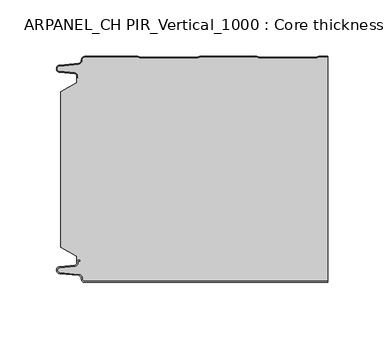
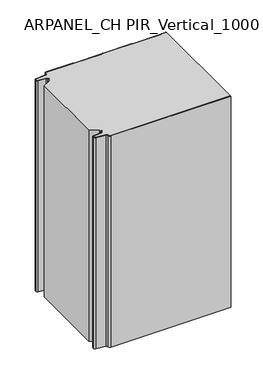
"""IFC4 building model written with IfcOpenShell, lengths in millimetres: plate geometry, ARPANEL_CH PIR_Vertical_1000 : Core thickness - 200 mm."""

from ifc_helpers import new_model, si_unit, frame, origin, place, context, project, spatial, polyline, circle_curve, source, transform, mapped, element, save
from ifc_brep_helpers import plane_surface, cylinder_surface, revolved_surface, advanced_brep


def arpanel_ch_pir_vertical_1000_core_thickness_200_mm_8e20ef52(model_context):
    return source(origin(), model_context, "Body", "AdvancedBrep", [
        advanced_brep(
        [(-94.8000003, -199.9996949, 0.0), (-97.9923632, -196.5787437, 0.0), (-100.2560431, -193.9171154, 0.0), (-117.2115315, -192.2546153, 0.0), (-119.9999998, -189.1776715, 0.0), (-117.2115315, -186.1007278, 0.0), (-103.6195785, -184.7680252, 0.0), (-101.9952277, -182.9766159, 0.0), (-101.9952277, -181.8996949, 0.0), (-100.5952277, -180.4996949, 0.0), (-99.4952277, -180.4996949, 0.0), (-99.4952277, -181.2996949, 0.0), (-100.5952277, -181.2996949, 0.0), (-101.1952277, -181.8996949, 0.0), (-101.1952277, -182.9766159, 0.0), (-103.5415122, -185.5642071, 0.0), (-117.1334652, -186.8969097, 0.0), (-119.1999997, -189.1776715, 0.0), (-117.1334652, -191.4584333, 0.0), (-100.1779767, -193.1209335, 0.0), (-97.2078761, -196.6330399, 0.0), (-94.8000003, -199.1996949, 0.0), (119.9999998, -199.2, 0.0), (119.9999998, -199.9996949, 0.0), (-94.8000003, -199.1996949, 400.0), (-97.1942724, -196.6339815, 400.0), (-100.1779767, -193.1209335, 400.0), (-117.1334652, -191.4584333, 400.0), (-119.1999997, -189.1776715, 400.0), (-117.1334652, -186.8969097, 400.0), (-103.5415122, -185.5642071, 400.0), (-101.1952277, -182.9766159, 400.0), (-101.1952277, -181.8996949, 400.0), (-100.5952277, -181.2996949, 400.0), (-99.4952277, -181.2996949, 400.0), (-99.4952277, -180.4996949, 400.0), (-100.5952277, -180.4996949, 400.0), (-101.9952277, -181.8996949, 400.0), (-101.9952277, -182.9766159, 400.0), (-103.6195785, -184.7680252, 400.0), (-117.2115315, -186.1007278, 400.0), (-119.9999998, -189.1776715, 400.0), (-117.2115315, -192.2546153, 400.0), (-100.2560431, -193.9171154, 400.0), (-98.0059668, -196.5778021, 400.0), (-94.8000003, -199.9996949, 400.0), (119.9999998, -199.9996949, 400.0), (119.9999998, -199.2, 400.0)],
        [
            (0, 1, circle_curve(frame((-94.8000003, -196.7996949, 0.0), z_axis=(0.0, 0.0, -1.0), x_axis=(1.0, 0.0, 0.0)), 3.2)),
            (1, 2, circle_curve(frame((-100.5000003, -196.4051839, 0.0), z_axis=(0.0, 0.0, 1.0), x_axis=(1.0, 0.0, 0.0)), 2.5)),
            (2, 3),
            (3, 4, circle_curve(frame((-116.9100003, -189.1793626, 0.0), z_axis=(0.0, 0.0, -1.0), x_axis=(1.0, 0.0, 0.0)), 3.09)),
            (4, 5, circle_curve(frame((-116.9100003, -189.1759805, 0.0), z_axis=(0.0, 0.0, -1.0), x_axis=(1.0, 0.0, 0.0)), 3.09)),
            (5, 6),
            (6, 7, circle_curve(frame((-103.7952277, -182.9766159, 0.0), z_axis=(0.0, 0.0, 1.0), x_axis=(1.0, 0.0, 0.0)), 1.8)),
            (7, 8),
            (8, 9, circle_curve(frame((-100.5952277, -181.8996949, 0.0), z_axis=(0.0, 0.0, -1.0), x_axis=(1.0, 0.0, 0.0)), 1.4)),
            (9, 10),
            (10, 11),
            (11, 12),
            (12, 13, circle_curve(frame((-100.5952277, -181.8996949, 0.0), z_axis=(0.0, 0.0, 1.0), x_axis=(1.0, 0.0, 0.0)), 0.6)),
            (13, 14),
            (14, 15, circle_curve(frame((-103.7952277, -182.9766159, 0.0), z_axis=(0.0, 0.0, -1.0), x_axis=(1.0, 0.0, 0.0)), 2.6)),
            (15, 16),
            (16, 17, circle_curve(frame((-116.9100003, -189.1759805, 0.0), z_axis=(0.0, 0.0, 1.0), x_axis=(1.0, 0.0, 0.0)), 2.29)),
            (17, 18, circle_curve(frame((-116.9100003, -189.1793626, 0.0), z_axis=(0.0, 0.0, 1.0), x_axis=(1.0, 0.0, 0.0)), 2.29)),
            (18, 19),
            (19, 20, circle_curve(frame((-100.5000003, -196.4051839, 0.0), z_axis=(0.0, 0.0, -1.0), x_axis=(1.0, 0.0, 0.0)), 3.3)),
            (20, 21, circle_curve(frame((-94.8000003, -196.7996949, 0.0), z_axis=(0.0, 0.0, 1.0), x_axis=(1.0, 0.0, 0.0)), 2.4)),
            (21, 22),
            (22, 23),
            (23, 0),
            (24, 25, circle_curve(frame((-94.8000003, -196.7996949, 400.0), z_axis=(0.0, 0.0, -1.0), x_axis=(1.0, 0.0, 0.0)), 2.4)),
            (25, 26, circle_curve(frame((-100.5000003, -196.4051839, 400.0), z_axis=(0.0, 0.0, 1.0), x_axis=(1.0, 0.0, 0.0)), 3.3)),
            (26, 27),
            (27, 28, circle_curve(frame((-116.9100003, -189.1793626, 400.0), z_axis=(0.0, 0.0, -1.0), x_axis=(1.0, 0.0, 0.0)), 2.29)),
            (28, 29, circle_curve(frame((-116.9100003, -189.1759805, 400.0), z_axis=(0.0, 0.0, -1.0), x_axis=(1.0, 0.0, 0.0)), 2.29)),
            (29, 30),
            (30, 31, circle_curve(frame((-103.7952277, -182.9766159, 400.0), z_axis=(0.0, 0.0, 1.0), x_axis=(1.0, 0.0, 0.0)), 2.6)),
            (31, 32),
            (32, 33, circle_curve(frame((-100.5952277, -181.8996949, 400.0), z_axis=(0.0, 0.0, -1.0), x_axis=(1.0, 0.0, 0.0)), 0.6)),
            (33, 34),
            (34, 35),
            (35, 36),
            (36, 37, circle_curve(frame((-100.5952277, -181.8996949, 400.0), z_axis=(0.0, 0.0, 1.0), x_axis=(1.0, 0.0, 0.0)), 1.4)),
            (37, 38),
            (38, 39, circle_curve(frame((-103.7952277, -182.9766159, 400.0), z_axis=(0.0, 0.0, -1.0), x_axis=(1.0, 0.0, 0.0)), 1.8)),
            (39, 40),
            (40, 41, circle_curve(frame((-116.9100003, -189.1759805, 400.0), z_axis=(0.0, 0.0, 1.0), x_axis=(1.0, 0.0, 0.0)), 3.09)),
            (41, 42, circle_curve(frame((-116.9100003, -189.1793626, 400.0), z_axis=(0.0, 0.0, 1.0), x_axis=(1.0, 0.0, 0.0)), 3.09)),
            (42, 43),
            (43, 44, circle_curve(frame((-100.5000003, -196.4051839, 400.0), z_axis=(0.0, 0.0, -1.0), x_axis=(1.0, 0.0, 0.0)), 2.5)),
            (44, 45, circle_curve(frame((-94.8000003, -196.7996949, 400.0), z_axis=(0.0, 0.0, 1.0), x_axis=(1.0, 0.0, 0.0)), 3.2)),
            (45, 46),
            (46, 47),
            (47, 24),
            (21, 24),
            (47, 22),
            (20, 25),
            (19, 26),
            (18, 27),
            (17, 28),
            (16, 29),
            (15, 30),
            (14, 31),
            (13, 32),
            (12, 33),
            (11, 34),
            (10, 35),
            (9, 36),
            (8, 37),
            (7, 38),
            (6, 39),
            (5, 40),
            (4, 41),
            (3, 42),
            (2, 43),
            (1, 44),
            (0, 45),
            (23, 46),
        ],
        [
            plane_surface(frame((-119.9999998, -200.0, 0.0), z_axis=(0.0, 0.0, -1.0), x_axis=(0.0, 1.0, 0.0))),
            plane_surface(frame((-119.9999998, -200.0, 400.0), z_axis=(0.0, 0.0, 1.0), x_axis=(0.0, 1.0, 0.0))),
            plane_surface(frame((-94.8000003, -199.2, 0.0), z_axis=(0.0, 1.0, 0.0), x_axis=(0.0, 0.0, 1.0))),
            revolved_surface(polyline([(-92.40000029999999, -196.7996949, 400.0), (-92.40000029999999, -196.7996949, 0.0)]), (-94.8000003, -196.7996949, 0.0), (0.0, 0.0, 1.0)),
            cylinder_surface(frame((-100.5000003, -196.4051839, 0.0), z_axis=(0.0, 0.0, -1.0), x_axis=(1.0, 0.0, 0.0)), 3.3),
            plane_surface(frame((-117.1334652, -191.4584333, 0.0), z_axis=(0.09758289975914758, 0.9952273999818314, 0.0), x_axis=(0.0, 0.0, 1.0))),
            revolved_surface(polyline([(-114.62000029999999, -189.1793626, 400.0), (-114.62000029999999, -189.1793626, 0.0)]), (-116.9100003, -189.1793626, 0.0), (0.0, 0.0, 1.0)),
            revolved_surface(polyline([(-114.62000029999999, -189.1759805, 400.0), (-114.62000029999999, -189.1759805, 0.0)]), (-116.9100003, -189.1759805, 0.0), (0.0, 0.0, 1.0)),
            plane_surface(frame((-103.5415122, -185.5642071, 0.0), z_axis=(0.09758289975914383, -0.9952273999818317, 0.0), x_axis=(0.0, 0.0, 1.0))),
            cylinder_surface(frame((-103.7952277, -182.9766159, 0.0), z_axis=(0.0, 0.0, -1.0), x_axis=(1.0, 0.0, 0.0)), 2.6),
            plane_surface(frame((-101.1952277, -181.8996949, 0.0), z_axis=(1.0, 0.0, 0.0), x_axis=(0.0, 0.0, 1.0))),
            revolved_surface(polyline([(-99.9952277, -181.8996949, 400.0), (-99.9952277, -181.8996949, 0.0)]), (-100.5952277, -181.8996949, 0.0), (0.0, 0.0, 1.0)),
            plane_surface(frame((-99.4952277, -181.2996949, 0.0), z_axis=(0.0, -1.0, 0.0), x_axis=(0.0, 0.0, 1.0))),
            plane_surface(frame((-99.4952277, -180.4996949, 0.0), z_axis=(1.0, 0.0, 0.0), x_axis=(0.0, 0.0, 1.0))),
            plane_surface(frame((-100.5952277, -180.4996949, 0.0), z_axis=(0.0, 1.0, 0.0), x_axis=(0.0, 0.0, 1.0))),
            cylinder_surface(frame((-100.5952277, -181.8996949, 0.0), z_axis=(0.0, 0.0, -1.0), x_axis=(1.0, 0.0, 0.0)), 1.4),
            plane_surface(frame((-101.9952277, -182.9766159, 0.0), z_axis=(-1.0, 0.0, 0.0), x_axis=(0.0, 0.0, 1.0))),
            revolved_surface(polyline([(-101.9952277, -182.9766159, 400.0), (-101.9952277, -182.9766159, 0.0)]), (-103.7952277, -182.9766159, 0.0), (0.0, 0.0, 1.0)),
            plane_surface(frame((-117.2115315, -186.1007278, 0.0), z_axis=(-0.09758289975914387, 0.9952273999818317, 0.0), x_axis=(0.0, 0.0, 1.0))),
            cylinder_surface(frame((-116.9100003, -189.1759805, 0.0), z_axis=(0.0, 0.0, -1.0), x_axis=(1.0, 0.0, 0.0)), 3.09),
            cylinder_surface(frame((-116.9100003, -189.1793626, 0.0), z_axis=(0.0, 0.0, -1.0), x_axis=(1.0, 0.0, 0.0)), 3.09),
            plane_surface(frame((-100.2560431, -193.9171154, 0.0), z_axis=(-0.09758289975914762, -0.9952273999818314, 0.0), x_axis=(0.0, 0.0, 1.0))),
            revolved_surface(polyline([(-98.0000003, -196.4051839, 400.0), (-98.0000003, -196.4051839, 0.0)]), (-100.5000003, -196.4051839, 0.0), (0.0, 0.0, 1.0)),
            cylinder_surface(frame((-94.8000003, -196.7996949, 0.0), z_axis=(0.0, 0.0, -1.0), x_axis=(1.0, 0.0, 0.0)), 3.2),
            plane_surface(frame((896.009932, -199.9996949, 0.0), z_axis=(0.0, -1.0, 0.0), x_axis=(0.0, 0.0, 1.0))),
            plane_surface(frame((119.9999998, 180.0, 400.0), z_axis=(1.0, 0.0, 0.0), x_axis=(0.0, 0.0, -1.0))),
        ],
        [
            (0, [[1, 2, 3, 4, 5, 6, 7, 8, 9, 10, 11, 12, 13, 14, 15, 16, 17, 18, 19, 20, 21, 22, 23, 24]]),
            (1, [[25, 26, 27, 28, 29, 30, 31, 32, 33, 34, 35, 36, 37, 38, 39, 40, 41, 42, 43, 44, 45, 46, 47, 48]]),
            (2, [[49, -48, 50, -22]]),
            (3, [[-21, 51, -25, -49]]),
            (4, [[-20, 52, -26, -51]]),
            (5, [[-19, 53, -27, -52]]),
            (6, [[-18, 54, -28, -53]]),
            (7, [[-17, 55, -29, -54]]),
            (8, [[-16, 56, -30, -55]]),
            (9, [[-15, 57, -31, -56]]),
            (10, [[-14, 58, -32, -57]]),
            (11, [[-13, 59, -33, -58]]),
            (12, [[-12, 60, -34, -59]]),
            (13, [[-11, 61, -35, -60]]),
            (14, [[-10, 62, -36, -61]]),
            (15, [[-9, 63, -37, -62]]),
            (16, [[-8, 64, -38, -63]]),
            (17, [[-7, 65, -39, -64]]),
            (18, [[-6, 66, -40, -65]]),
            (19, [[-5, 67, -41, -66]]),
            (20, [[-4, 68, -42, -67]]),
            (21, [[-3, 69, -43, -68]]),
            (22, [[-2, 70, -44, -69]]),
            (23, [[-1, 71, -45, -70]]),
            (24, [[-71, -24, 72, -46]]),
            (25, [[-23, -50, -47, -72]]),
        ],
    ),
        advanced_brep(
        [(-101.9952277, -23.1062917, 400.0), (-116.0446509, -31.1628062, 400.0), (-116.0446509, -168.7531937, 400.0), (-101.9952277, -176.8937083, 400.0), (-101.9952277, -180.4996949, 400.0), (-101.9952277, -181.8996949, 400.0), (-100.5952277, -180.4996949, 400.0), (-99.4952277, -180.4996949, 400.0), (-99.4952277, -181.2996949, 400.0), (-100.5952277, -181.2996949, 400.0), (-101.1952277, -181.8996949, 400.0), (-101.1952277, -182.9766159, 400.0), (-103.5415122, -185.5642071, 400.0), (-117.1334652, -186.8969097, 400.0), (-119.1999997, -189.1776715, 400.0), (-117.1334652, -191.4584333, 400.0), (-100.1779767, -193.1209335, 400.0), (-97.2078761, -196.6330399, 400.0), (-94.8000003, -199.1996949, 400.0), (119.9999998, -199.2, 400.0), (119.9999998, -0.8, 400.0), (112.3119565, -0.8, 400.0), (111.2605406, -1.0986697, 400.0), (109.8401597, -1.5003051, 400.0), (59.6803765, -1.5003051, 400.0), (58.2609651, -1.0971009, 400.0), (57.2085797, -0.8, 400.0), (7.0487965, -0.8, 400.0), (5.9973806, -1.0986697, 400.0), (4.5769997, -1.5003051, 400.0), (-45.5827835, -1.5003051, 400.0), (-47.0021949, -1.0971009, 400.0), (-48.0545803, -0.8, 400.0), (-94.8000003, -0.8, 400.0), (-97.1942724, -3.3660185, 400.0), (-100.1779767, -6.8790665, 400.0), (-117.1334652, -8.5415667, 400.0), (-119.1999997, -10.8223285, 400.0), (-117.1334652, -13.1030903, 400.0), (-103.5415122, -14.4357929, 400.0), (-101.1952277, -17.0233841, 400.0), (-101.1952277, -18.1003051, 400.0), (-100.5952277, -18.7003051, 400.0), (-99.4952277, -18.7003051, 400.0), (-99.4952277, -19.5003051, 400.0), (-100.5952277, -19.5003051, 400.0), (-101.9952277, -18.1003051, 400.0), (-101.9952277, -19.5003051, 400.0), (-101.9952277, -176.8937083, 0.0), (-116.0446509, -168.7531937, 0.0), (-116.0446509, -31.1628062, 0.0), (-101.9952277, -23.1062917, 0.0), (-101.9952277, -19.5003051, 0.0), (-101.9952277, -18.1003051, 0.0), (-100.5952277, -19.5003051, 0.0), (-99.4952277, -19.5003051, 0.0), (-99.4952277, -18.7003051, 0.0), (-100.5952277, -18.7003051, 0.0), (-101.1952277, -18.1003051, 0.0), (-101.1952277, -17.0233841, 0.0), (-103.5415122, -14.4357929, 0.0), (-117.1334652, -13.1030903, 0.0), (-119.1999997, -10.8223285, 0.0), (-117.1334652, -8.5415667, 0.0), (-100.1779767, -6.8790665, 0.0), (-97.2078761, -3.3669601, 0.0), (-94.8000003, -0.8003051, 0.0), (-48.0545803, -0.8, 0.0), (-47.0031645, -1.0986697, 0.0), (-45.5827835, -1.5003051, 0.0), (4.5769997, -1.5003051, 0.0), (5.9964111, -1.0971009, 0.0), (7.0487965, -0.8, 0.0), (57.2085797, -0.8, 0.0), (58.2599955, -1.0986697, 0.0), (59.6803765, -1.5003051, 0.0), (109.8401597, -1.5003051, 0.0), (111.2595711, -1.0971009, 0.0), (112.3119565, -0.8, 0.0), (119.9999998, -0.8, 0.0), (119.9999998, -199.2, 0.0), (-94.8000003, -199.2, 0.0), (-97.1942724, -196.6339815, 0.0), (-100.1779767, -193.1209335, 0.0), (-117.1334652, -191.4584333, 0.0), (-119.1999997, -189.1776715, 0.0), (-117.1334652, -186.8969097, 0.0), (-103.5415122, -185.5642071, 0.0), (-101.1952277, -182.9766159, 0.0), (-101.1952277, -181.8996949, 0.0), (-100.5952277, -181.2996949, 0.0), (-99.4952277, -181.2996949, 0.0), (-99.4952277, -180.4996949, 0.0), (-100.5952277, -180.4996949, 0.0), (-101.9952277, -181.8996949, 0.0), (-101.9952277, -180.4996949, 0.0)],
        [
            (0, 1),
            (1, 2),
            (2, 3),
            (3, 4),
            (4, 5),
            (5, 6, circle_curve(frame((-100.5952277, -181.8996949, 400.0), z_axis=(0.0, 0.0, -1.0), x_axis=(1.0, 0.0, 0.0)), 1.4)),
            (6, 7),
            (7, 8),
            (8, 9),
            (9, 10, circle_curve(frame((-100.5952277, -181.8996949, 400.0), z_axis=(0.0, 0.0, 1.0), x_axis=(1.0, 0.0, 0.0)), 0.6)),
            (10, 11),
            (11, 12, circle_curve(frame((-103.7952277, -182.9766159, 400.0), z_axis=(0.0, 0.0, -1.0), x_axis=(1.0, 0.0, 0.0)), 2.6)),
            (12, 13),
            (13, 14, circle_curve(frame((-116.9100003, -189.1759805, 400.0), z_axis=(0.0, 0.0, 1.0), x_axis=(1.0, 0.0, 0.0)), 2.29)),
            (14, 15, circle_curve(frame((-116.9100003, -189.1793626, 400.0), z_axis=(0.0, 0.0, 1.0), x_axis=(1.0, 0.0, 0.0)), 2.29)),
            (15, 16),
            (16, 17, circle_curve(frame((-100.5000003, -196.4051839, 400.0), z_axis=(0.0, 0.0, -1.0), x_axis=(1.0, 0.0, 0.0)), 3.3)),
            (17, 18, circle_curve(frame((-94.8000003, -196.7996949, 400.0), z_axis=(0.0, 0.0, 1.0), x_axis=(1.0, 0.0, 0.0)), 2.4)),
            (18, 19),
            (19, 20),
            (20, 21),
            (21, 22, circle_curve(frame((112.3119565, -2.8, 400.0), z_axis=(0.0, 0.0, 1.0), x_axis=(1.0, 0.0, 0.0)), 2.0)),
            (22, 23, circle_curve(frame((109.8401597, 1.1996949, 400.0), z_axis=(0.0, 0.0, -1.0), x_axis=(1.0, 0.0, 0.0)), 2.7)),
            (23, 24),
            (24, 25, circle_curve(frame((59.6803765, 1.1996949, 400.0), z_axis=(0.0, 0.0, -1.0), x_axis=(1.0, 0.0, 0.0)), 2.7)),
            (25, 26, circle_curve(frame((57.2085797, -2.8, 400.0), z_axis=(0.0, 0.0, 1.0), x_axis=(1.0, 0.0, 0.0)), 2.0)),
            (26, 27),
            (27, 28, circle_curve(frame((7.0487965, -2.8, 400.0), z_axis=(0.0, 0.0, 1.0), x_axis=(1.0, 0.0, 0.0)), 2.0)),
            (28, 29, circle_curve(frame((4.5769997, 1.1996949, 400.0), z_axis=(0.0, 0.0, -1.0), x_axis=(1.0, 0.0, 0.0)), 2.7)),
            (29, 30),
            (30, 31, circle_curve(frame((-45.5827835, 1.1996949, 400.0), z_axis=(0.0, 0.0, -1.0), x_axis=(1.0, 0.0, 0.0)), 2.7)),
            (31, 32, circle_curve(frame((-48.0545803, -2.8, 400.0), z_axis=(0.0, 0.0, 1.0), x_axis=(1.0, 0.0, 0.0)), 2.0)),
            (32, 33),
            (33, 34, circle_curve(frame((-94.8000003, -3.2003051, 400.0), z_axis=(0.0, 0.0, 1.0), x_axis=(1.0, 0.0, 0.0)), 2.4)),
            (34, 35, circle_curve(frame((-100.5000003, -3.5948161, 400.0), z_axis=(0.0, 0.0, -1.0), x_axis=(1.0, 0.0, 0.0)), 3.3)),
            (35, 36),
            (36, 37, circle_curve(frame((-116.9100003, -10.8206374, 400.0), z_axis=(0.0, 0.0, 1.0), x_axis=(1.0, 0.0, 0.0)), 2.29)),
            (37, 38, circle_curve(frame((-116.9100003, -10.8240195, 400.0), z_axis=(0.0, 0.0, 1.0), x_axis=(1.0, 0.0, 0.0)), 2.29)),
            (38, 39),
            (39, 40, circle_curve(frame((-103.7952277, -17.0233841, 400.0), z_axis=(0.0, 0.0, -1.0), x_axis=(1.0, 0.0, 0.0)), 2.6)),
            (40, 41),
            (41, 42, circle_curve(frame((-100.5952277, -18.1003051, 400.0), z_axis=(0.0, 0.0, 1.0), x_axis=(1.0, 0.0, 0.0)), 0.6)),
            (42, 43),
            (43, 44),
            (44, 45),
            (45, 46, circle_curve(frame((-100.5952277, -18.1003051, 400.0), z_axis=(0.0, 0.0, -1.0), x_axis=(1.0, 0.0, 0.0)), 1.4)),
            (46, 47),
            (47, 0),
            (48, 49),
            (49, 50),
            (50, 51),
            (51, 52),
            (52, 53),
            (53, 54, circle_curve(frame((-100.5952277, -18.1003051, 0.0), z_axis=(0.0, 0.0, 1.0), x_axis=(1.0, 0.0, 0.0)), 1.4)),
            (54, 55),
            (55, 56),
            (56, 57),
            (57, 58, circle_curve(frame((-100.5952277, -18.1003051, 0.0), z_axis=(0.0, 0.0, -1.0), x_axis=(1.0, 0.0, 0.0)), 0.6)),
            (58, 59),
            (59, 60, circle_curve(frame((-103.7952277, -17.0233841, 0.0), z_axis=(0.0, 0.0, 1.0), x_axis=(1.0, 0.0, 0.0)), 2.6)),
            (60, 61),
            (61, 62, circle_curve(frame((-116.9100003, -10.8240195, 0.0), z_axis=(0.0, 0.0, -1.0), x_axis=(1.0, 0.0, 0.0)), 2.29)),
            (62, 63, circle_curve(frame((-116.9100003, -10.8206374, 0.0), z_axis=(0.0, 0.0, -1.0), x_axis=(1.0, 0.0, 0.0)), 2.29)),
            (63, 64),
            (64, 65, circle_curve(frame((-100.5000003, -3.5948161, 0.0), z_axis=(0.0, 0.0, 1.0), x_axis=(1.0, 0.0, 0.0)), 3.3)),
            (65, 66, circle_curve(frame((-94.8000003, -3.2003051, 0.0), z_axis=(0.0, 0.0, -1.0), x_axis=(1.0, 0.0, 0.0)), 2.4)),
            (66, 67),
            (67, 68, circle_curve(frame((-48.0545803, -2.8, 0.0), z_axis=(0.0, 0.0, -1.0), x_axis=(1.0, 0.0, 0.0)), 2.0)),
            (68, 69, circle_curve(frame((-45.5827835, 1.1996949, 0.0), z_axis=(0.0, 0.0, 1.0), x_axis=(1.0, 0.0, 0.0)), 2.7)),
            (69, 70),
            (70, 71, circle_curve(frame((4.5769997, 1.1996949, 0.0), z_axis=(0.0, 0.0, 1.0), x_axis=(1.0, 0.0, 0.0)), 2.7)),
            (71, 72, circle_curve(frame((7.0487965, -2.8, 0.0), z_axis=(0.0, 0.0, -1.0), x_axis=(1.0, 0.0, 0.0)), 2.0)),
            (72, 73),
            (73, 74, circle_curve(frame((57.2085797, -2.8, 0.0), z_axis=(0.0, 0.0, -1.0), x_axis=(1.0, 0.0, 0.0)), 2.0)),
            (74, 75, circle_curve(frame((59.6803765, 1.1996949, 0.0), z_axis=(0.0, 0.0, 1.0), x_axis=(1.0, 0.0, 0.0)), 2.7)),
            (75, 76),
            (76, 77, circle_curve(frame((109.8401597, 1.1996949, 0.0), z_axis=(0.0, 0.0, 1.0), x_axis=(1.0, 0.0, 0.0)), 2.7)),
            (77, 78, circle_curve(frame((112.3119565, -2.8, 0.0), z_axis=(0.0, 0.0, -1.0), x_axis=(1.0, 0.0, 0.0)), 2.0)),
            (78, 79),
            (79, 80),
            (80, 81),
            (81, 82, circle_curve(frame((-94.8000003, -196.7996949, 0.0), z_axis=(0.0, 0.0, -1.0), x_axis=(1.0, 0.0, 0.0)), 2.4)),
            (82, 83, circle_curve(frame((-100.5000003, -196.4051839, 0.0), z_axis=(0.0, 0.0, 1.0), x_axis=(1.0, 0.0, 0.0)), 3.3)),
            (83, 84),
            (84, 85, circle_curve(frame((-116.9100003, -189.1793626, 0.0), z_axis=(0.0, 0.0, -1.0), x_axis=(1.0, 0.0, 0.0)), 2.29)),
            (85, 86, circle_curve(frame((-116.9100003, -189.1759805, 0.0), z_axis=(0.0, 0.0, -1.0), x_axis=(1.0, 0.0, 0.0)), 2.29)),
            (86, 87),
            (87, 88, circle_curve(frame((-103.7952277, -182.9766159, 0.0), z_axis=(0.0, 0.0, 1.0), x_axis=(1.0, 0.0, 0.0)), 2.6)),
            (88, 89),
            (89, 90, circle_curve(frame((-100.5952277, -181.8996949, 0.0), z_axis=(0.0, 0.0, -1.0), x_axis=(1.0, 0.0, 0.0)), 0.6)),
            (90, 91),
            (91, 92),
            (92, 93),
            (93, 94, circle_curve(frame((-100.5952277, -181.8996949, 0.0), z_axis=(0.0, 0.0, 1.0), x_axis=(1.0, 0.0, 0.0)), 1.4)),
            (94, 95),
            (95, 48),
            (51, 0),
            (46, 53),
            (1, 50),
            (49, 2),
            (48, 3),
            (94, 5),
            (19, 80),
            (79, 20),
            (18, 81),
            (17, 82),
            (16, 83),
            (15, 84),
            (14, 85),
            (13, 86),
            (12, 87),
            (11, 88),
            (10, 89),
            (9, 90),
            (8, 91),
            (7, 92),
            (6, 93),
            (66, 33),
            (32, 67),
            (31, 68),
            (30, 69),
            (29, 70),
            (28, 71),
            (27, 72),
            (26, 73),
            (25, 74),
            (24, 75),
            (23, 76),
            (22, 77),
            (21, 78),
            (45, 54),
            (44, 55),
            (43, 56),
            (42, 57),
            (41, 58),
            (40, 59),
            (39, 60),
            (38, 61),
            (37, 62),
            (36, 63),
            (35, 64),
            (34, 65),
        ],
        [
            plane_surface(frame((-119.9999998, 0.0, 400.0), z_axis=(0.0, 0.0, 1.0), x_axis=(0.0, -1.0, 0.0))),
            plane_surface(frame((-119.9999998, 0.0, 0.0), z_axis=(0.0, 0.0, -1.0), x_axis=(0.0, -1.0, 0.0))),
            plane_surface(frame((-101.9952277, -17.0229218, 400.0), z_axis=(-1.0, 0.0, 0.0), x_axis=(0.0, 0.0, -1.0))),
            plane_surface(frame((-116.0446509, -31.1628062, 400.0), z_axis=(-1.0, 0.0, 0.0), x_axis=(0.0, 0.0, -1.0))),
            plane_surface(frame((-101.9952277, -23.1062917, 400.0), z_axis=(-0.4974543664933155, 0.8674901459133322, 0.0), x_axis=(0.0, 0.0, -1.0))),
            plane_surface(frame((-116.0446509, -168.7531937, 400.0), z_axis=(-0.5013424225369615, -0.8652489672717159, 0.0), x_axis=(0.0, 0.0, -1.0))),
            plane_surface(frame((-101.9952277, -176.8937083, 400.0), z_axis=(-1.0, 0.0, 0.0), x_axis=(0.0, 0.0, -1.0))),
            plane_surface(frame((119.9999998, 180.0, 400.0), z_axis=(1.0, 0.0, 0.0), x_axis=(0.0, 0.0, -1.0))),
            plane_surface(frame((896.009932, -199.2, 530.0), z_axis=(0.0, -1.0, 0.0), x_axis=(0.0, 0.0, -1.0))),
            cylinder_surface(frame((-94.8000003, -196.7996949, 530.0), z_axis=(0.0, 0.0, -1.0), x_axis=(1.0, 0.0, 0.0)), 2.4),
            revolved_surface(polyline([(-97.2000003, -196.4051839, 400.0), (-97.2000003, -196.4051839, 0.0)]), (-100.5000003, -196.4051839, 530.0), (0.0, 0.0, 1.0)),
            plane_surface(frame((-100.1779767, -193.1209335, 530.0), z_axis=(-0.09758289975914758, -0.9952273999818314, 0.0), x_axis=(0.0, 0.0, -1.0))),
            cylinder_surface(frame((-116.9100003, -189.1793626, 530.0), z_axis=(0.0, 0.0, -1.0), x_axis=(1.0, 0.0, 0.0)), 2.29),
            cylinder_surface(frame((-116.9100003, -189.1759805, 530.0), z_axis=(0.0, 0.0, -1.0), x_axis=(1.0, 0.0, 0.0)), 2.29),
            plane_surface(frame((-117.1334652, -186.8969097, 530.0), z_axis=(-0.09758289975914383, 0.9952273999818317, 0.0), x_axis=(0.0, 0.0, -1.0))),
            revolved_surface(polyline([(-101.1952277, -182.9766159, 400.0), (-101.1952277, -182.9766159, 0.0)]), (-103.7952277, -182.9766159, 530.0), (0.0, 0.0, 1.0)),
            plane_surface(frame((-101.1952277, -182.9766159, 530.0), z_axis=(-1.0, 0.0, 0.0), x_axis=(0.0, 0.0, -1.0))),
            cylinder_surface(frame((-100.5952277, -181.8996949, 530.0), z_axis=(0.0, 0.0, -1.0), x_axis=(1.0, 0.0, 0.0)), 0.6),
            plane_surface(frame((-100.5952277, -181.2996949, 530.0), z_axis=(0.0, 1.0, 0.0), x_axis=(0.0, 0.0, -1.0))),
            plane_surface(frame((-99.4952277, -181.2996949, 530.0), z_axis=(-1.0, 0.0, 0.0), x_axis=(0.0, 0.0, -1.0))),
            plane_surface(frame((-99.4952277, -180.4996949, 530.0), z_axis=(0.0, -1.0, 0.0), x_axis=(0.0, 0.0, -1.0))),
            revolved_surface(polyline([(-99.19522769999999, -181.8996949, 400.0), (-99.19522769999999, -181.8996949, 0.0)]), (-100.5952277, -181.8996949, 530.0), (0.0, 0.0, 1.0)),
            plane_surface(frame((-94.8000003, -0.8, 530.0), z_axis=(0.0, 1.0, 0.0), x_axis=(0.0, 0.0, -1.0))),
            cylinder_surface(frame((-48.0545803, -2.8, 530.0), z_axis=(0.0, 0.0, -1.0), x_axis=(1.0, 0.0, 0.0)), 2.0),
            revolved_surface(polyline([(-42.882783499999995, 1.1996949, 400.0), (-42.882783499999995, 1.1996949, 0.0)]), (-45.5827835, 1.1996949, 530.0), (0.0, 0.0, 1.0)),
            plane_surface(frame((-45.5827835, -1.5003051, 530.0), z_axis=(0.0, 1.0, 0.0), x_axis=(0.0, 0.0, -1.0))),
            revolved_surface(polyline([(7.2769997, 1.1996949, 400.0), (7.2769997, 1.1996949, 0.0)]), (4.5769997, 1.1996949, 530.0), (0.0, 0.0, 1.0)),
            cylinder_surface(frame((7.0487965, -2.8, 530.0), z_axis=(0.0, 0.0, -1.0), x_axis=(1.0, 0.0, 0.0)), 2.0),
            plane_surface(frame((7.0487965, -0.8, 530.0), z_axis=(0.0, 1.0, 0.0), x_axis=(0.0, 0.0, -1.0))),
            cylinder_surface(frame((57.2085797, -2.8, 530.0), z_axis=(0.0, 0.0, -1.0), x_axis=(1.0, 0.0, 0.0)), 2.0),
            revolved_surface(polyline([(62.380376500000004, 1.1996949, 400.0), (62.380376500000004, 1.1996949, 0.0)]), (59.6803765, 1.1996949, 530.0), (0.0, 0.0, 1.0)),
            plane_surface(frame((59.6803765, -1.5003051, 530.0), z_axis=(0.0, 1.0, 0.0), x_axis=(0.0, 0.0, -1.0))),
            revolved_surface(polyline([(112.5401597, 1.1996949, 400.0), (112.5401597, 1.1996949, 0.0)]), (109.8401597, 1.1996949, 530.0), (0.0, 0.0, 1.0)),
            cylinder_surface(frame((112.3119565, -2.8, 530.0), z_axis=(0.0, 0.0, -1.0), x_axis=(1.0, 0.0, 0.0)), 2.0),
            plane_surface(frame((112.3119565, -0.8, 530.0), z_axis=(0.0, 1.0, 0.0), x_axis=(0.0, 0.0, -1.0))),
            revolved_surface(polyline([(-99.19522769999999, -18.1003051, 400.0), (-99.19522769999999, -18.1003051, 0.0)]), (-100.5952277, -18.1003051, 530.0), (0.0, 0.0, 1.0)),
            plane_surface(frame((-100.5952277, -19.5003051, 530.0), z_axis=(0.0, 1.0, 0.0), x_axis=(0.0, 0.0, -1.0))),
            plane_surface(frame((-99.4952277, -19.5003051, 530.0), z_axis=(-1.0, 0.0, 0.0), x_axis=(0.0, 0.0, -1.0))),
            plane_surface(frame((-99.4952277, -18.7003051, 530.0), z_axis=(0.0, -1.0, 0.0), x_axis=(0.0, 0.0, -1.0))),
            cylinder_surface(frame((-100.5952277, -18.1003051, 530.0), z_axis=(0.0, 0.0, -1.0), x_axis=(1.0, 0.0, 0.0)), 0.6),
            plane_surface(frame((-101.1952277, -18.1003051, 530.0), z_axis=(-1.0, 0.0, 0.0), x_axis=(0.0, 0.0, -1.0))),
            revolved_surface(polyline([(-101.1952277, -17.0233841, 400.0), (-101.1952277, -17.0233841, 0.0)]), (-103.7952277, -17.0233841, 530.0), (0.0, 0.0, 1.0)),
            plane_surface(frame((-103.5415122, -14.4357929, 530.0), z_axis=(-0.09758289975914705, -0.9952273999818314, 0.0), x_axis=(0.0, 0.0, -1.0))),
            cylinder_surface(frame((-116.9100003, -10.8240195, 530.0), z_axis=(0.0, 0.0, -1.0), x_axis=(1.0, 0.0, 0.0)), 2.29),
            cylinder_surface(frame((-116.9100003, -10.8206374, 530.0), z_axis=(0.0, 0.0, -1.0), x_axis=(1.0, 0.0, 0.0)), 2.29),
            plane_surface(frame((-117.1334652, -8.5415667, 530.0), z_axis=(-0.09758289975914436, 0.9952273999818317, 0.0), x_axis=(0.0, 0.0, -1.0))),
            revolved_surface(polyline([(-97.2000003, -3.5948161, 400.0), (-97.2000003, -3.5948161, 0.0)]), (-100.5000003, -3.5948161, 530.0), (0.0, 0.0, 1.0)),
            cylinder_surface(frame((-94.8000003, -3.2003051, 530.0), z_axis=(0.0, 0.0, -1.0), x_axis=(1.0, 0.0, 0.0)), 2.4),
        ],
        [
            (0, [[1, 2, 3, 4, 5, 6, 7, 8, 9, 10, 11, 12, 13, 14, 15, 16, 17, 18, 19, 20, 21, 22, 23, 24, 25, 26, 27, 28, 29, 30, 31, 32, 33, 34, 35, 36, 37, 38, 39, 40, 41, 42, 43, 44, 45, 46, 47, 48]]),
            (1, [[49, 50, 51, 52, 53, 54, 55, 56, 57, 58, 59, 60, 61, 62, 63, 64, 65, 66, 67, 68, 69, 70, 71, 72, 73, 74, 75, 76, 77, 78, 79, 80, 81, 82, 83, 84, 85, 86, 87, 88, 89, 90, 91, 92, 93, 94, 95, 96]]),
            (2, [[97, -48, -47, 98, -53, -52]]),
            (3, [[-2, 99, -50, 100]]),
            (4, [[-1, -97, -51, -99]]),
            (5, [[-3, -100, -49, 101]]),
            (6, [[-101, -96, -95, 102, -5, -4]]),
            (7, [[103, -80, 104, -20]]),
            (8, [[105, -81, -103, -19]]),
            (9, [[-105, -18, 106, -82]]),
            (10, [[-106, -17, 107, -83]]),
            (11, [[-107, -16, 108, -84]]),
            (12, [[-108, -15, 109, -85]]),
            (13, [[-109, -14, 110, -86]]),
            (14, [[-110, -13, 111, -87]]),
            (15, [[-111, -12, 112, -88]]),
            (16, [[-112, -11, 113, -89]]),
            (17, [[-113, -10, 114, -90]]),
            (18, [[-114, -9, 115, -91]]),
            (19, [[-115, -8, 116, -92]]),
            (20, [[-116, -7, 117, -93]]),
            (21, [[-117, -6, -102, -94]]),
            (22, [[118, -33, 119, -67]]),
            (23, [[-119, -32, 120, -68]]),
            (24, [[-120, -31, 121, -69]]),
            (25, [[-121, -30, 122, -70]]),
            (26, [[-122, -29, 123, -71]]),
            (27, [[-123, -28, 124, -72]]),
            (28, [[-124, -27, 125, -73]]),
            (29, [[-125, -26, 126, -74]]),
            (30, [[-126, -25, 127, -75]]),
            (31, [[-127, -24, 128, -76]]),
            (32, [[-128, -23, 129, -77]]),
            (33, [[-129, -22, 130, -78]]),
            (34, [[-130, -21, -104, -79]]),
            (35, [[131, -54, -98, -46]]),
            (36, [[-131, -45, 132, -55]]),
            (37, [[-132, -44, 133, -56]]),
            (38, [[-133, -43, 134, -57]]),
            (39, [[-134, -42, 135, -58]]),
            (40, [[-135, -41, 136, -59]]),
            (41, [[-136, -40, 137, -60]]),
            (42, [[-137, -39, 138, -61]]),
            (43, [[-138, -38, 139, -62]]),
            (44, [[-139, -37, 140, -63]]),
            (45, [[-140, -36, 141, -64]]),
            (46, [[-141, -35, 142, -65]]),
            (47, [[-118, -66, -142, -34]]),
        ],
    ),
        advanced_brep(
        [(-47.0031645, -1.0986697, 0.0), (-48.0545803, -0.8, 0.0), (-94.8000003, -0.8, 0.0), (-97.1942724, -3.3660185, 0.0), (-100.1779767, -6.8790665, 0.0), (-117.1334652, -8.5415667, 0.0), (-119.1999997, -10.8223285, 0.0), (-117.1334652, -13.1030903, 0.0), (-103.5415122, -14.4357929, 0.0), (-101.1952277, -17.0233841, 0.0), (-101.1952277, -18.1003051, 0.0), (-100.5952277, -18.7003051, 0.0), (-99.4952277, -18.7003051, 0.0), (-99.4952277, -19.5003051, 0.0), (-100.5952277, -19.5003051, 0.0), (-101.9952277, -18.1003051, 0.0), (-101.9952277, -17.0233841, 0.0), (-103.6195785, -15.2319748, 0.0), (-117.2115315, -13.8992722, 0.0), (-119.9999998, -10.8223285, 0.0), (-117.2115315, -7.7453847, 0.0), (-100.2560431, -6.0828846, 0.0), (-98.0059668, -3.4221979, 0.0), (-94.8000003, -0.0003051, 0.0), (-48.0545803, -0.0003051, 0.0), (-46.6352472, -0.4034608, 0.0), (-45.5827835, -0.7003051, 0.0), (4.5769997, -0.7003051, 0.0), (5.6283575, -0.4016712, 0.0), (7.0487965, -0.0003051, 0.0), (57.2085797, -0.0003051, 0.0), (58.6279128, -0.4034608, 0.0), (59.6803765, -0.7003051, 0.0), (109.8401597, -0.7003051, 0.0), (110.8915175, -0.4016712, 0.0), (112.3119565, -0.0003051, 0.0), (119.9999998, -0.0003051, 0.0), (119.9999998, -0.8, 0.0), (112.3119565, -0.8, 0.0), (111.2605406, -1.0986697, 0.0), (109.8401597, -1.5003051, 0.0), (59.6803765, -1.5003051, 0.0), (58.2609651, -1.0971009, 0.0), (57.2085797, -0.8, 0.0), (7.0487965, -0.8, 0.0), (5.9973806, -1.0986697, 0.0), (4.5769997, -1.5003051, 0.0), (-45.5827835, -1.5003051, 0.0), (-47.0021949, -1.0971009, 400.0), (-45.5827835, -1.5003051, 400.0), (4.5769997, -1.5003051, 400.0), (5.9964111, -1.0971009, 400.0), (7.0487965, -0.8, 400.0), (57.2085797, -0.8, 400.0), (58.2599955, -1.0986697, 400.0), (59.6803765, -1.5003051, 400.0), (109.8401597, -1.5003051, 400.0), (111.2595711, -1.0971009, 400.0), (112.3119565, -0.8, 400.0), (119.9999998, -0.8, 400.0), (119.9999998, -0.0003051, 400.0), (112.3119565, -0.0003051, 400.0), (110.8926234, -0.4034608, 400.0), (109.8401597, -0.7003051, 400.0), (59.6803765, -0.7003051, 400.0), (58.6290186, -0.4016712, 400.0), (57.2085797, -0.0003051, 400.0), (7.0487965, -0.0003051, 400.0), (5.6294634, -0.4034608, 400.0), (4.5769997, -0.7003051, 400.0), (-45.5827835, -0.7003051, 400.0), (-46.6341414, -0.4016712, 400.0), (-48.0545803, -0.0003051, 400.0), (-94.8000003, -0.0003051, 400.0), (-97.9923632, -3.4212563, 400.0), (-100.2560431, -6.0828846, 400.0), (-117.2115315, -7.7453847, 400.0), (-119.9999998, -10.8223285, 400.0), (-117.2115315, -13.8992722, 400.0), (-103.6195785, -15.2319748, 400.0), (-101.9952277, -17.0233841, 400.0), (-101.9952277, -18.1003051, 400.0), (-100.5952277, -19.5003051, 400.0), (-99.4952277, -19.5003051, 400.0), (-99.4952277, -18.7003051, 400.0), (-100.5952277, -18.7003051, 400.0), (-101.1952277, -18.1003051, 400.0), (-101.1952277, -17.0233841, 400.0), (-103.5415122, -14.4357929, 400.0), (-117.1334652, -13.1030903, 400.0), (-119.1999997, -10.8223285, 400.0), (-117.1334652, -8.5415667, 400.0), (-100.1779767, -6.8790665, 400.0), (-97.2078761, -3.3669601, 400.0), (-94.8000003, -0.8003051, 400.0), (-48.0545803, -0.8, 400.0)],
        [
            (0, 1, circle_curve(frame((-48.0545803, -2.8, 0.0), z_axis=(0.0, 0.0, 1.0), x_axis=(1.0, 0.0, 0.0)), 2.0)),
            (1, 2),
            (2, 3, circle_curve(frame((-94.8000003, -3.2003051, 0.0), z_axis=(0.0, 0.0, 1.0), x_axis=(1.0, 0.0, 0.0)), 2.4)),
            (3, 4, circle_curve(frame((-100.5000003, -3.5948161, 0.0), z_axis=(0.0, 0.0, -1.0), x_axis=(1.0, 0.0, 0.0)), 3.3)),
            (4, 5),
            (5, 6, circle_curve(frame((-116.9100003, -10.8206374, 0.0), z_axis=(0.0, 0.0, 1.0), x_axis=(1.0, 0.0, 0.0)), 2.29)),
            (6, 7, circle_curve(frame((-116.9100003, -10.8240195, 0.0), z_axis=(0.0, 0.0, 1.0), x_axis=(1.0, 0.0, 0.0)), 2.29)),
            (7, 8),
            (8, 9, circle_curve(frame((-103.7952277, -17.0233841, 0.0), z_axis=(0.0, 0.0, -1.0), x_axis=(1.0, 0.0, 0.0)), 2.6)),
            (9, 10),
            (10, 11, circle_curve(frame((-100.5952277, -18.1003051, 0.0), z_axis=(0.0, 0.0, 1.0), x_axis=(1.0, 0.0, 0.0)), 0.6)),
            (11, 12),
            (12, 13),
            (13, 14),
            (14, 15, circle_curve(frame((-100.5952277, -18.1003051, 0.0), z_axis=(0.0, 0.0, -1.0), x_axis=(1.0, 0.0, 0.0)), 1.4)),
            (15, 16),
            (16, 17, circle_curve(frame((-103.7952277, -17.0233841, 0.0), z_axis=(0.0, 0.0, 1.0), x_axis=(1.0, 0.0, 0.0)), 1.8)),
            (17, 18),
            (18, 19, circle_curve(frame((-116.9100003, -10.8240195, 0.0), z_axis=(0.0, 0.0, -1.0), x_axis=(1.0, 0.0, 0.0)), 3.09)),
            (19, 20, circle_curve(frame((-116.9100003, -10.8206374, 0.0), z_axis=(0.0, 0.0, -1.0), x_axis=(1.0, 0.0, 0.0)), 3.09)),
            (20, 21),
            (21, 22, circle_curve(frame((-100.5000003, -3.5948161, 0.0), z_axis=(0.0, 0.0, 1.0), x_axis=(1.0, 0.0, 0.0)), 2.5)),
            (22, 23, circle_curve(frame((-94.8000003, -3.2003051, 0.0), z_axis=(0.0, 0.0, -1.0), x_axis=(1.0, 0.0, 0.0)), 3.2)),
            (23, 24),
            (24, 25, circle_curve(frame((-48.0545803, -2.7003051, 0.0), z_axis=(0.0, 0.0, -1.0), x_axis=(1.0, 0.0, 0.0)), 2.7)),
            (25, 26, circle_curve(frame((-45.5827835, 1.2996949, 0.0), z_axis=(0.0, 0.0, 1.0), x_axis=(1.0, 0.0, 0.0)), 2.0)),
            (26, 27),
            (27, 28, circle_curve(frame((4.5769997, 1.2996949, 0.0), z_axis=(0.0, 0.0, 1.0), x_axis=(1.0, 0.0, 0.0)), 2.0)),
            (28, 29, circle_curve(frame((7.0487965, -2.7003051, 0.0), z_axis=(0.0, 0.0, -1.0), x_axis=(1.0, 0.0, 0.0)), 2.7)),
            (29, 30),
            (30, 31, circle_curve(frame((57.2085797, -2.7003051, 0.0), z_axis=(0.0, 0.0, -1.0), x_axis=(1.0, 0.0, 0.0)), 2.7)),
            (31, 32, circle_curve(frame((59.6803765, 1.2996949, 0.0), z_axis=(0.0, 0.0, 1.0), x_axis=(1.0, 0.0, 0.0)), 2.0)),
            (32, 33),
            (33, 34, circle_curve(frame((109.8401597, 1.2996949, 0.0), z_axis=(0.0, 0.0, 1.0), x_axis=(1.0, 0.0, 0.0)), 2.0)),
            (34, 35, circle_curve(frame((112.3119565, -2.7003051, 0.0), z_axis=(0.0, 0.0, -1.0), x_axis=(1.0, 0.0, 0.0)), 2.7)),
            (35, 36),
            (36, 37),
            (37, 38),
            (38, 39, circle_curve(frame((112.3119565, -2.8, 0.0), z_axis=(0.0, 0.0, 1.0), x_axis=(1.0, 0.0, 0.0)), 2.0)),
            (39, 40, circle_curve(frame((109.8401597, 1.1996949, 0.0), z_axis=(0.0, 0.0, -1.0), x_axis=(1.0, 0.0, 0.0)), 2.7)),
            (40, 41),
            (41, 42, circle_curve(frame((59.6803765, 1.1996949, 0.0), z_axis=(0.0, 0.0, -1.0), x_axis=(1.0, 0.0, 0.0)), 2.7)),
            (42, 43, circle_curve(frame((57.2085797, -2.8, 0.0), z_axis=(0.0, 0.0, 1.0), x_axis=(1.0, 0.0, 0.0)), 2.0)),
            (43, 44),
            (44, 45, circle_curve(frame((7.0487965, -2.8, 0.0), z_axis=(0.0, 0.0, 1.0), x_axis=(1.0, 0.0, 0.0)), 2.0)),
            (45, 46, circle_curve(frame((4.5769997, 1.1996949, 0.0), z_axis=(0.0, 0.0, -1.0), x_axis=(1.0, 0.0, 0.0)), 2.7)),
            (46, 47),
            (47, 0, circle_curve(frame((-45.5827835, 1.1996949, 0.0), z_axis=(0.0, 0.0, -1.0), x_axis=(1.0, 0.0, 0.0)), 2.7)),
            (48, 49, circle_curve(frame((-45.5827835, 1.1996949, 400.0), z_axis=(0.0, 0.0, 1.0), x_axis=(1.0, 0.0, 0.0)), 2.7)),
            (49, 50),
            (50, 51, circle_curve(frame((4.5769997, 1.1996949, 400.0), z_axis=(0.0, 0.0, 1.0), x_axis=(1.0, 0.0, 0.0)), 2.7)),
            (51, 52, circle_curve(frame((7.0487965, -2.8, 400.0), z_axis=(0.0, 0.0, -1.0), x_axis=(1.0, 0.0, 0.0)), 2.0)),
            (52, 53),
            (53, 54, circle_curve(frame((57.2085797, -2.8, 400.0), z_axis=(0.0, 0.0, -1.0), x_axis=(1.0, 0.0, 0.0)), 2.0)),
            (54, 55, circle_curve(frame((59.6803765, 1.1996949, 400.0), z_axis=(0.0, 0.0, 1.0), x_axis=(1.0, 0.0, 0.0)), 2.7)),
            (55, 56),
            (56, 57, circle_curve(frame((109.8401597, 1.1996949, 400.0), z_axis=(0.0, 0.0, 1.0), x_axis=(1.0, 0.0, 0.0)), 2.7)),
            (57, 58, circle_curve(frame((112.3119565, -2.8, 400.0), z_axis=(0.0, 0.0, -1.0), x_axis=(1.0, 0.0, 0.0)), 2.0)),
            (58, 59),
            (59, 60),
            (60, 61),
            (61, 62, circle_curve(frame((112.3119565, -2.7003051, 400.0), z_axis=(0.0, 0.0, 1.0), x_axis=(1.0, 0.0, 0.0)), 2.7)),
            (62, 63, circle_curve(frame((109.8401597, 1.2996949, 400.0), z_axis=(0.0, 0.0, -1.0), x_axis=(1.0, 0.0, 0.0)), 2.0)),
            (63, 64),
            (64, 65, circle_curve(frame((59.6803765, 1.2996949, 400.0), z_axis=(0.0, 0.0, -1.0), x_axis=(1.0, 0.0, 0.0)), 2.0)),
            (65, 66, circle_curve(frame((57.2085797, -2.7003051, 400.0), z_axis=(0.0, 0.0, 1.0), x_axis=(1.0, 0.0, 0.0)), 2.7)),
            (66, 67),
            (67, 68, circle_curve(frame((7.0487965, -2.7003051, 400.0), z_axis=(0.0, 0.0, 1.0), x_axis=(1.0, 0.0, 0.0)), 2.7)),
            (68, 69, circle_curve(frame((4.5769997, 1.2996949, 400.0), z_axis=(0.0, 0.0, -1.0), x_axis=(1.0, 0.0, 0.0)), 2.0)),
            (69, 70),
            (70, 71, circle_curve(frame((-45.5827835, 1.2996949, 400.0), z_axis=(0.0, 0.0, -1.0), x_axis=(1.0, 0.0, 0.0)), 2.0)),
            (71, 72, circle_curve(frame((-48.0545803, -2.7003051, 400.0), z_axis=(0.0, 0.0, 1.0), x_axis=(1.0, 0.0, 0.0)), 2.7)),
            (72, 73),
            (73, 74, circle_curve(frame((-94.8000003, -3.2003051, 400.0), z_axis=(0.0, 0.0, 1.0), x_axis=(1.0, 0.0, 0.0)), 3.2)),
            (74, 75, circle_curve(frame((-100.5000003, -3.5948161, 400.0), z_axis=(0.0, 0.0, -1.0), x_axis=(1.0, 0.0, 0.0)), 2.5)),
            (75, 76),
            (76, 77, circle_curve(frame((-116.9100003, -10.8206374, 400.0), z_axis=(0.0, 0.0, 1.0), x_axis=(1.0, 0.0, 0.0)), 3.09)),
            (77, 78, circle_curve(frame((-116.9100003, -10.8240195, 400.0), z_axis=(0.0, 0.0, 1.0), x_axis=(1.0, 0.0, 0.0)), 3.09)),
            (78, 79),
            (79, 80, circle_curve(frame((-103.7952277, -17.0233841, 400.0), z_axis=(0.0, 0.0, -1.0), x_axis=(1.0, 0.0, 0.0)), 1.8)),
            (80, 81),
            (81, 82, circle_curve(frame((-100.5952277, -18.1003051, 400.0), z_axis=(0.0, 0.0, 1.0), x_axis=(1.0, 0.0, 0.0)), 1.4)),
            (82, 83),
            (83, 84),
            (84, 85),
            (85, 86, circle_curve(frame((-100.5952277, -18.1003051, 400.0), z_axis=(0.0, 0.0, -1.0), x_axis=(1.0, 0.0, 0.0)), 0.6)),
            (86, 87),
            (87, 88, circle_curve(frame((-103.7952277, -17.0233841, 400.0), z_axis=(0.0, 0.0, 1.0), x_axis=(1.0, 0.0, 0.0)), 2.6)),
            (88, 89),
            (89, 90, circle_curve(frame((-116.9100003, -10.8240195, 400.0), z_axis=(0.0, 0.0, -1.0), x_axis=(1.0, 0.0, 0.0)), 2.29)),
            (90, 91, circle_curve(frame((-116.9100003, -10.8206374, 400.0), z_axis=(0.0, 0.0, -1.0), x_axis=(1.0, 0.0, 0.0)), 2.29)),
            (91, 92),
            (92, 93, circle_curve(frame((-100.5000003, -3.5948161, 400.0), z_axis=(0.0, 0.0, 1.0), x_axis=(1.0, 0.0, 0.0)), 3.3)),
            (93, 94, circle_curve(frame((-94.8000003, -3.2003051, 400.0), z_axis=(0.0, 0.0, -1.0), x_axis=(1.0, 0.0, 0.0)), 2.4)),
            (94, 95),
            (95, 48, circle_curve(frame((-48.0545803, -2.8, 400.0), z_axis=(0.0, 0.0, -1.0), x_axis=(1.0, 0.0, 0.0)), 2.0)),
            (0, 48),
            (95, 1),
            (94, 2),
            (93, 3),
            (92, 4),
            (91, 5),
            (90, 6),
            (89, 7),
            (88, 8),
            (87, 9),
            (86, 10),
            (85, 11),
            (84, 12),
            (83, 13),
            (82, 14),
            (81, 15),
            (80, 16),
            (79, 17),
            (78, 18),
            (77, 19),
            (76, 20),
            (75, 21),
            (74, 22),
            (73, 23),
            (72, 24),
            (71, 25),
            (70, 26),
            (69, 27),
            (68, 28),
            (67, 29),
            (66, 30),
            (65, 31),
            (64, 32),
            (63, 33),
            (62, 34),
            (61, 35),
            (60, 36),
            (58, 38),
            (37, 59),
            (57, 39),
            (56, 40),
            (55, 41),
            (54, 42),
            (53, 43),
            (52, 44),
            (51, 45),
            (50, 46),
            (49, 47),
        ],
        [
            plane_surface(frame((-119.9999998, 0.0, 0.0), z_axis=(0.0, 0.0, -1.0), x_axis=(0.0, -1.0, 0.0))),
            plane_surface(frame((-119.9999998, 0.0, 400.0), z_axis=(0.0, 0.0, 1.0), x_axis=(0.0, -1.0, 0.0))),
            revolved_surface(polyline([(-46.0545803, -2.8, 400.0), (-46.0545803, -2.8, 0.0)]), (-48.0545803, -2.8, 0.0), (0.0, 0.0, 1.0)),
            plane_surface(frame((-48.0545803, -0.8, 0.0), z_axis=(0.0, -1.0, 0.0), x_axis=(0.0, 0.0, 1.0))),
            revolved_surface(polyline([(-92.40000029999999, -3.2003051, 400.0), (-92.40000029999999, -3.2003051, 0.0)]), (-94.8000003, -3.2003051, 0.0), (0.0, 0.0, 1.0)),
            cylinder_surface(frame((-100.5000003, -3.5948161, 0.0), z_axis=(0.0, 0.0, -1.0), x_axis=(1.0, 0.0, 0.0)), 3.3),
            plane_surface(frame((-100.1779767, -6.8790665, 0.0), z_axis=(0.09758289975914113, -0.9952273999818321, 0.0), x_axis=(0.0, 0.0, 1.0))),
            revolved_surface(polyline([(-114.62000029999999, -10.8206374, 400.0), (-114.62000029999999, -10.8206374, 0.0)]), (-116.9100003, -10.8206374, 0.0), (0.0, 0.0, 1.0)),
            revolved_surface(polyline([(-114.62000029999999, -10.8240195, 400.0), (-114.62000029999999, -10.8240195, 0.0)]), (-116.9100003, -10.8240195, 0.0), (0.0, 0.0, 1.0)),
            plane_surface(frame((-117.1334652, -13.1030903, 0.0), z_axis=(0.0975828997591503, 0.9952273999818312, 0.0), x_axis=(0.0, 0.0, 1.0))),
            cylinder_surface(frame((-103.7952277, -17.0233841, 0.0), z_axis=(0.0, 0.0, -1.0), x_axis=(1.0, 0.0, 0.0)), 2.6),
            plane_surface(frame((-101.1952277, -17.0233841, 0.0), z_axis=(1.0, 0.0, 0.0), x_axis=(0.0, 0.0, 1.0))),
            revolved_surface(polyline([(-99.9952277, -18.1003051, 400.0), (-99.9952277, -18.1003051, 0.0)]), (-100.5952277, -18.1003051, 0.0), (0.0, 0.0, 1.0)),
            plane_surface(frame((-100.5952277, -18.7003051, 0.0), z_axis=(0.0, 1.0, 0.0), x_axis=(0.0, 0.0, 1.0))),
            plane_surface(frame((-99.4952277, -18.7003051, 0.0), z_axis=(1.0, 0.0, 0.0), x_axis=(0.0, 0.0, 1.0))),
            plane_surface(frame((-99.4952277, -19.5003051, 0.0), z_axis=(0.0, -1.0, 0.0), x_axis=(0.0, 0.0, 1.0))),
            cylinder_surface(frame((-100.5952277, -18.1003051, 0.0), z_axis=(0.0, 0.0, -1.0), x_axis=(1.0, 0.0, 0.0)), 1.4),
            plane_surface(frame((-101.9952277, -18.1003051, 0.0), z_axis=(-1.0, 0.0, 0.0), x_axis=(0.0, 0.0, 1.0))),
            revolved_surface(polyline([(-101.9952277, -17.0233841, 400.0), (-101.9952277, -17.0233841, 0.0)]), (-103.7952277, -17.0233841, 0.0), (0.0, 0.0, 1.0)),
            plane_surface(frame((-103.6195785, -15.2319748, 0.0), z_axis=(-0.09758289975915034, -0.9952273999818312, 0.0), x_axis=(0.0, 0.0, 1.0))),
            cylinder_surface(frame((-116.9100003, -10.8240195, 0.0), z_axis=(0.0, 0.0, -1.0), x_axis=(1.0, 0.0, 0.0)), 3.09),
            cylinder_surface(frame((-116.9100003, -10.8206374, 0.0), z_axis=(0.0, 0.0, -1.0), x_axis=(1.0, 0.0, 0.0)), 3.09),
            plane_surface(frame((-117.2115315, -7.7453847, 0.0), z_axis=(-0.09758289975914117, 0.9952273999818321, 0.0), x_axis=(0.0, 0.0, 1.0))),
            revolved_surface(polyline([(-98.0000003, -3.5948161, 400.0), (-98.0000003, -3.5948161, 0.0)]), (-100.5000003, -3.5948161, 0.0), (0.0, 0.0, 1.0)),
            cylinder_surface(frame((-94.8000003, -3.2003051, 0.0), z_axis=(0.0, 0.0, -1.0), x_axis=(1.0, 0.0, 0.0)), 3.2),
            plane_surface(frame((-94.8000003, -0.0003051, 0.0), z_axis=(0.0, 1.0, 0.0), x_axis=(0.0, 0.0, 1.0))),
            cylinder_surface(frame((-48.0545803, -2.7003051, 0.0), z_axis=(0.0, 0.0, -1.0), x_axis=(1.0, 0.0, 0.0)), 2.7),
            revolved_surface(polyline([(-43.5827835, 1.2996949, 400.0), (-43.5827835, 1.2996949, 0.0)]), (-45.5827835, 1.2996949, 0.0), (0.0, 0.0, 1.0)),
            plane_surface(frame((-45.5827835, -0.7003051, 0.0), z_axis=(0.0, 1.0, 0.0), x_axis=(0.0, 0.0, 1.0))),
            revolved_surface(polyline([(6.5769997, 1.2996949, 400.0), (6.5769997, 1.2996949, 0.0)]), (4.5769997, 1.2996949, 0.0), (0.0, 0.0, 1.0)),
            cylinder_surface(frame((7.0487965, -2.7003051, 0.0), z_axis=(0.0, 0.0, -1.0), x_axis=(1.0, 0.0, 0.0)), 2.7),
            plane_surface(frame((7.0487965, -0.0003051, 0.0), z_axis=(0.0, 1.0, 0.0), x_axis=(0.0, 0.0, 1.0))),
            cylinder_surface(frame((57.2085797, -2.7003051, 0.0), z_axis=(0.0, 0.0, -1.0), x_axis=(1.0, 0.0, 0.0)), 2.7),
            revolved_surface(polyline([(61.6803765, 1.2996949, 400.0), (61.6803765, 1.2996949, 0.0)]), (59.6803765, 1.2996949, 0.0), (0.0, 0.0, 1.0)),
            plane_surface(frame((59.6803765, -0.7003051, 0.0), z_axis=(0.0, 1.0, 0.0), x_axis=(0.0, 0.0, 1.0))),
            revolved_surface(polyline([(111.8401597, 1.2996949, 400.0), (111.8401597, 1.2996949, 0.0)]), (109.8401597, 1.2996949, 0.0), (0.0, 0.0, 1.0)),
            cylinder_surface(frame((112.3119565, -2.7003051, 0.0), z_axis=(0.0, 0.0, -1.0), x_axis=(1.0, 0.0, 0.0)), 2.7),
            plane_surface(frame((112.3119565, -0.0003051, 0.0), z_axis=(0.0, 1.0, 0.0), x_axis=(0.0, 0.0, 1.0))),
            plane_surface(frame((162.4717397, -0.8, 0.0), z_axis=(0.0, -1.0, 0.0), x_axis=(0.0, 0.0, 1.0))),
            revolved_surface(polyline([(114.3119565, -2.8, 400.0), (114.3119565, -2.8, 0.0)]), (112.3119565, -2.8, 0.0), (0.0, 0.0, 1.0)),
            cylinder_surface(frame((109.8401597, 1.1996949, 0.0), z_axis=(0.0, 0.0, -1.0), x_axis=(1.0, 0.0, 0.0)), 2.7),
            plane_surface(frame((109.8401597, -1.5003051, 0.0), z_axis=(0.0, -1.0, 0.0), x_axis=(0.0, 0.0, 1.0))),
            cylinder_surface(frame((59.6803765, 1.1996949, 0.0), z_axis=(0.0, 0.0, -1.0), x_axis=(1.0, 0.0, 0.0)), 2.7),
            revolved_surface(polyline([(59.2085797, -2.8, 400.0), (59.2085797, -2.8, 0.0)]), (57.2085797, -2.8, 0.0), (0.0, 0.0, 1.0)),
            plane_surface(frame((57.2085797, -0.8, 0.0), z_axis=(0.0, -1.0, 0.0), x_axis=(0.0, 0.0, 1.0))),
            revolved_surface(polyline([(9.0487965, -2.8, 400.0), (9.0487965, -2.8, 0.0)]), (7.0487965, -2.8, 0.0), (0.0, 0.0, 1.0)),
            cylinder_surface(frame((4.5769997, 1.1996949, 0.0), z_axis=(0.0, 0.0, -1.0), x_axis=(1.0, 0.0, 0.0)), 2.7),
            plane_surface(frame((4.5769997, -1.5003051, 0.0), z_axis=(0.0, -1.0, 0.0), x_axis=(0.0, 0.0, 1.0))),
            cylinder_surface(frame((-45.5827835, 1.1996949, 0.0), z_axis=(0.0, 0.0, -1.0), x_axis=(1.0, 0.0, 0.0)), 2.7),
            plane_surface(frame((119.9999998, 180.0, 400.0), z_axis=(1.0, 0.0, 0.0), x_axis=(0.0, 0.0, -1.0))),
        ],
        [
            (0, [[1, 2, 3, 4, 5, 6, 7, 8, 9, 10, 11, 12, 13, 14, 15, 16, 17, 18, 19, 20, 21, 22, 23, 24, 25, 26, 27, 28, 29, 30, 31, 32, 33, 34, 35, 36, 37, 38, 39, 40, 41, 42, 43, 44, 45, 46, 47, 48]]),
            (1, [[49, 50, 51, 52, 53, 54, 55, 56, 57, 58, 59, 60, 61, 62, 63, 64, 65, 66, 67, 68, 69, 70, 71, 72, 73, 74, 75, 76, 77, 78, 79, 80, 81, 82, 83, 84, 85, 86, 87, 88, 89, 90, 91, 92, 93, 94, 95, 96]]),
            (2, [[-1, 97, -96, 98]]),
            (3, [[-2, -98, -95, 99]]),
            (4, [[-3, -99, -94, 100]]),
            (5, [[-4, -100, -93, 101]]),
            (6, [[-5, -101, -92, 102]]),
            (7, [[-6, -102, -91, 103]]),
            (8, [[-7, -103, -90, 104]]),
            (9, [[-8, -104, -89, 105]]),
            (10, [[-9, -105, -88, 106]]),
            (11, [[-10, -106, -87, 107]]),
            (12, [[-11, -107, -86, 108]]),
            (13, [[-12, -108, -85, 109]]),
            (14, [[-13, -109, -84, 110]]),
            (15, [[-14, -110, -83, 111]]),
            (16, [[-15, -111, -82, 112]]),
            (17, [[-16, -112, -81, 113]]),
            (18, [[-17, -113, -80, 114]]),
            (19, [[-18, -114, -79, 115]]),
            (20, [[-19, -115, -78, 116]]),
            (21, [[-20, -116, -77, 117]]),
            (22, [[-21, -117, -76, 118]]),
            (23, [[-22, -118, -75, 119]]),
            (24, [[-23, -119, -74, 120]]),
            (25, [[-24, -120, -73, 121]]),
            (26, [[-25, -121, -72, 122]]),
            (27, [[-26, -122, -71, 123]]),
            (28, [[-27, -123, -70, 124]]),
            (29, [[-28, -124, -69, 125]]),
            (30, [[-29, -125, -68, 126]]),
            (31, [[-30, -126, -67, 127]]),
            (32, [[-31, -127, -66, 128]]),
            (33, [[-32, -128, -65, 129]]),
            (34, [[-33, -129, -64, 130]]),
            (35, [[-34, -130, -63, 131]]),
            (36, [[-35, -131, -62, 132]]),
            (37, [[-132, -61, 133, -36]]),
            (38, [[134, -38, 135, -59]]),
            (39, [[-39, -134, -58, 136]]),
            (40, [[-40, -136, -57, 137]]),
            (41, [[-41, -137, -56, 138]]),
            (42, [[-42, -138, -55, 139]]),
            (43, [[-43, -139, -54, 140]]),
            (44, [[-44, -140, -53, 141]]),
            (45, [[-45, -141, -52, 142]]),
            (46, [[-46, -142, -51, 143]]),
            (47, [[-47, -143, -50, 144]]),
            (48, [[-48, -144, -49, -97]]),
            (49, [[-37, -133, -60, -135]]),
        ],
    ),
    ])


if __name__ == "__main__":
    model = new_model("IFC4")
    model_context = context("Model", 3, world=origin())
    ifc_project = project(units=[si_unit("LENGTHUNIT", "METRE", prefix="MILLI")], contexts=[model_context])
    site = spatial("IfcSite", under=ifc_project)
    building = spatial("IfcBuilding", under=site)
    placement = place(None, origin())
    arpanel_ch_pir_vertical_1000_core_thickness_200_mm_shape = arpanel_ch_pir_vertical_1000_core_thickness_200_mm_8e20ef52(model_context)
    element("IfcPlate", 1, ObjectType="ARPANEL_CH PIR_Vertical_1000 : Core thickness - 200 mm", at=placement, inside=building, context=model_context, shape_type="MappedRepresentation", body=[
        mapped(arpanel_ch_pir_vertical_1000_core_thickness_200_mm_shape, transform((0.0, 0.0, 0.0), x_axis=(1.0, 0.0, 0.0), y_axis=(0.0, 1.0, 0.0), z_axis=(0.0, 0.0, 1.0))),
    ])
    save(model, "model.ifc")
